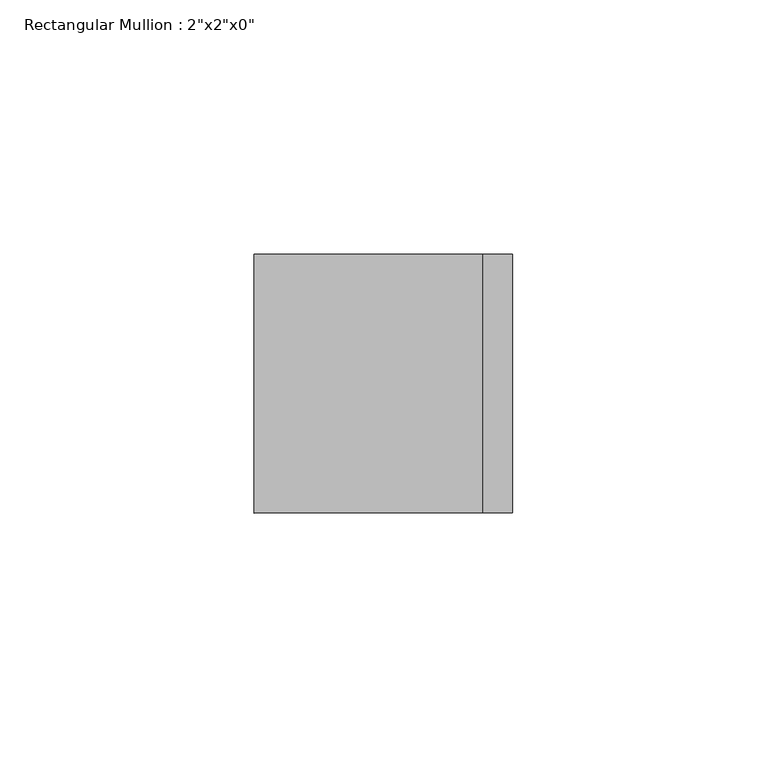
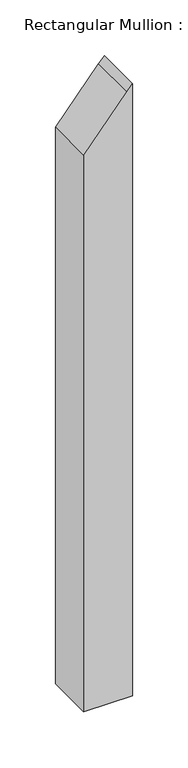
"""IFC4 building model written with IfcOpenShell, lengths in millimetres: member geometry."""

from ifc_helpers import new_model, si_unit, frame, origin, place, context, project, spatial, polyline, outline, extrude, source, transform, mapped, element, save


def member_83936397(model_context):
    return source(origin(), model_context, "Body", "SweptSolid", [
        extrude(outline(polyline([(-9.185186, 25.4), (-16.2458946, 19.5251353), (-70.2391876, -25.4), (-681.3970607, -25.4), (-681.3970607, 25.4), (-9.185186, 25.4)])), frame((0.0, -25.4, 0.0), z_axis=(0.0, 1.0, 0.0), x_axis=(0.0, 0.0, 1.0)), (0.0, 0.0, 1.0), 50.8),
    ])


if __name__ == "__main__":
    model = new_model("IFC4")
    model_context = context("Model", 3, world=origin())
    ifc_project = project(units=[si_unit("LENGTHUNIT", "METRE", prefix="MILLI")], contexts=[model_context])
    site = spatial("IfcSite", under=ifc_project)
    building = spatial("IfcBuilding", under=site)
    placement = place(None, origin())
    member_shape = member_83936397(model_context)
    element("IfcMember", 1, ObjectType="Rectangular Mullion : 2\"x2\"x0\"", at=placement, inside=building, context=model_context, shape_type="MappedRepresentation", body=[
        mapped(member_shape, transform((0.0, 0.0, 0.0), x_axis=(1.0, 0.0, 0.0), y_axis=(0.0, 1.0, 0.0), z_axis=(0.0, 0.0, 1.0))),
    ])
    save(model, "model.ifc")
